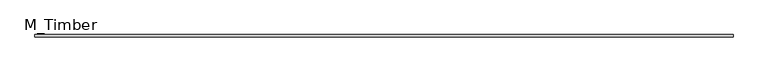
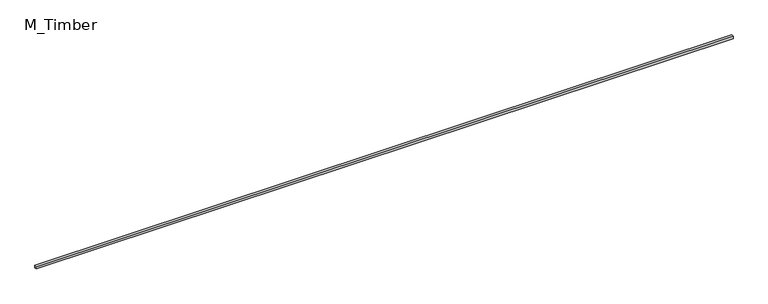
"""IFC4 building model written with IfcOpenShell, lengths in millimetres: beam geometry, M_Timber."""

from ifc_helpers import new_model, si_unit, frame, origin, place, context, project, spatial, polyline, outline, extrude, source, transform, mapped, element, save


def m_timber_1fcf4f84(model_context):
    return source(origin(), model_context, "Body", "SweptSolid", [
        extrude(outline(polyline([(5506.7804946, 20.0), (5506.7804946, -20.0), (-5506.7804946, -20.0), (-5506.7804946, 20.0), (5506.7804946, 20.0)])), frame((0.0, 0.0, -20.0), z_axis=(0.0, 0.0, 1.0), x_axis=(1.0, 0.0, 0.0)), (0.0, 0.0, 1.0), 40.0),
    ])


if __name__ == "__main__":
    model = new_model("IFC4")
    model_context = context("Model", 3, world=origin())
    ifc_project = project(units=[si_unit("LENGTHUNIT", "METRE", prefix="MILLI")], contexts=[model_context])
    site = spatial("IfcSite", under=ifc_project)
    building = spatial("IfcBuilding", under=site)
    placement = place(None, origin())
    m_timber_shape = m_timber_1fcf4f84(model_context)
    element("IfcBeam", 1, ObjectType="M_Timber", at=placement, inside=building, context=model_context, shape_type="MappedRepresentation", body=[
        mapped(m_timber_shape, transform((0.0, 0.0, 0.0), x_axis=(1.0, 0.0, 0.0), y_axis=(0.0, 1.0, 0.0), z_axis=(0.0, 0.0, 1.0))),
    ])
    save(model, "model.ifc")
